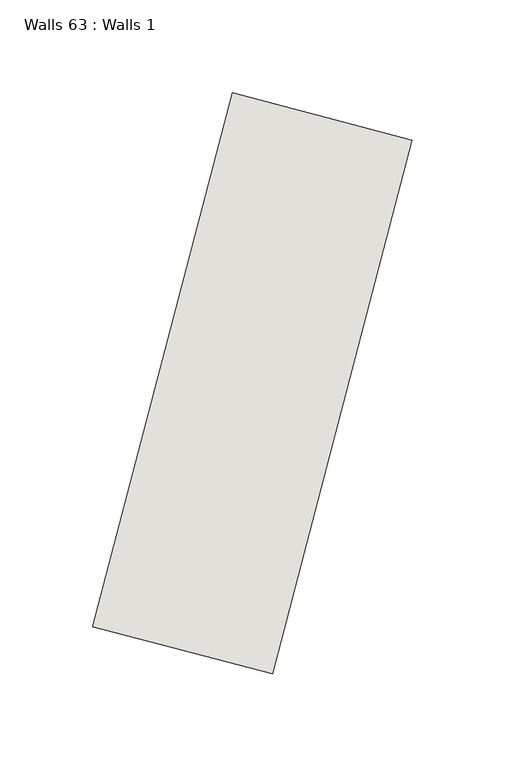
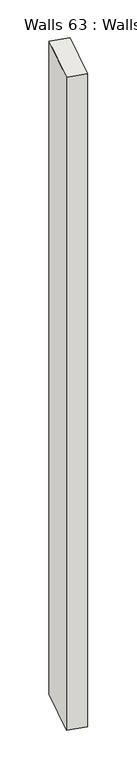
"""IFC4 building model written with IfcOpenShell, lengths in millimetres: wall geometry, Walls 63 : Walls 1."""

from ifc_helpers import new_model, si_unit, origin, origin_with_axes, place, context, project, spatial, polyline, outline, extrude, source, transform, mapped, element, save


def walls_63_walls_1_2f9e1736(model_context):
    return source(origin(), model_context, "Body", "SweptSolid", [
        extrude(outline(polyline([(6702.9317225, 1290.5560364), (6777.9753158, 1577.6386018), (6874.7244791, 1552.3482995), (6799.6808858, 1265.2657341), (6702.9317225, 1290.5560364)])), origin_with_axes(), (0.0, 0.0, 1.0), 3616.2535467),
    ])


if __name__ == "__main__":
    model = new_model("IFC4")
    model_context = context("Model", 3, world=origin())
    ifc_project = project(units=[si_unit("LENGTHUNIT", "METRE", prefix="MILLI")], contexts=[model_context])
    site = spatial("IfcSite", under=ifc_project)
    building = spatial("IfcBuilding", under=site)
    placement = place(None, origin())
    walls_63_walls_1_shape = walls_63_walls_1_2f9e1736(model_context)
    element("IfcWall", 1, ObjectType="Walls 63 : Walls 1", at=placement, inside=building, context=model_context, shape_type="MappedRepresentation", body=[
        mapped(walls_63_walls_1_shape, transform((0.0, 0.0, 0.0), x_axis=(1.0, 0.0, 0.0), y_axis=(0.0, 1.0, 0.0), z_axis=(0.0, 0.0, 1.0))),
    ])
    save(model, "model.ifc")
